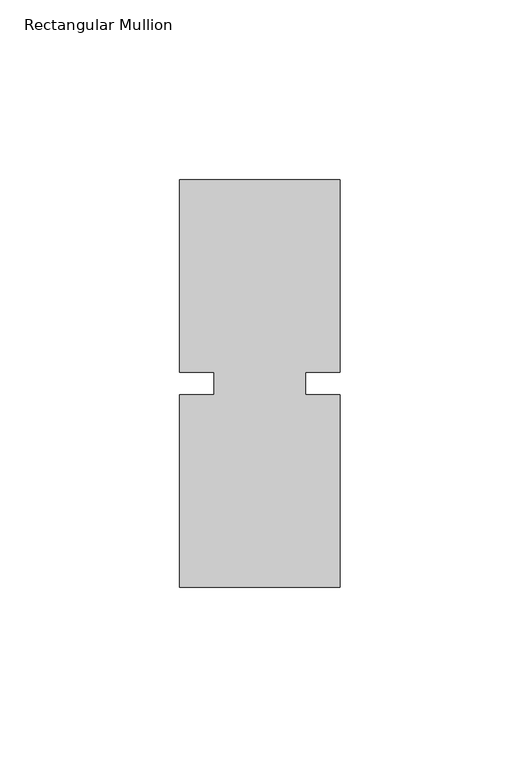
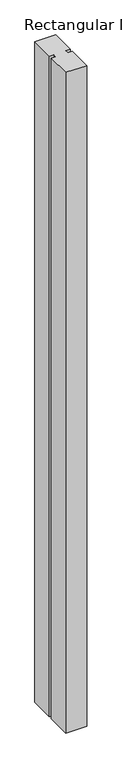
"""IFC4 building model written with IfcOpenShell, lengths in millimetres: member geometry, Rectangular Mullion."""

from ifc_helpers import new_model, si_unit, frame, origin, place, context, project, spatial, polyline, outline, extrude, source, transform, mapped, element, save


def rectangular_mullion_32ffa44e(model_context):
    return source(origin(), model_context, "Body", "SweptSolid", [
        extrude(outline(polyline([(26.5594027, -56.5790212), (-17.8905973, -56.5790212), (-17.8905973, -3.2050658), (-8.3655973, -3.2050658), (-8.3655973, 3.1449342), (-17.8905973, 3.1449342), (-17.8905973, 56.4979688), (26.5594027, 56.4979688), (26.5594027, 3.1449342), (17.0344012, 3.1449342), (17.0344012, -3.2050658), (26.5594027, -3.2050658), (26.5594027, -56.5790212)])), frame((0.0, 0.0, -1479.55), z_axis=(0.0, 0.0, 1.0), x_axis=(1.0, 0.0, 0.0)), (0.0, 0.0, 1.0), 1479.55),
    ])


if __name__ == "__main__":
    model = new_model("IFC4")
    model_context = context("Model", 3, world=origin())
    ifc_project = project(units=[si_unit("LENGTHUNIT", "METRE", prefix="MILLI")], contexts=[model_context])
    site = spatial("IfcSite", under=ifc_project)
    building = spatial("IfcBuilding", under=site)
    placement = place(None, origin())
    rectangular_mullion_shape = rectangular_mullion_32ffa44e(model_context)
    element("IfcMember", 1, ObjectType="Rectangular Mullion", at=placement, inside=building, context=model_context, shape_type="MappedRepresentation", body=[
        mapped(rectangular_mullion_shape, transform((0.0, 0.0, 0.0), x_axis=(1.0, 0.0, 0.0), y_axis=(0.0, 1.0, 0.0), z_axis=(0.0, 0.0, 1.0))),
    ])
    save(model, "model.ifc")
